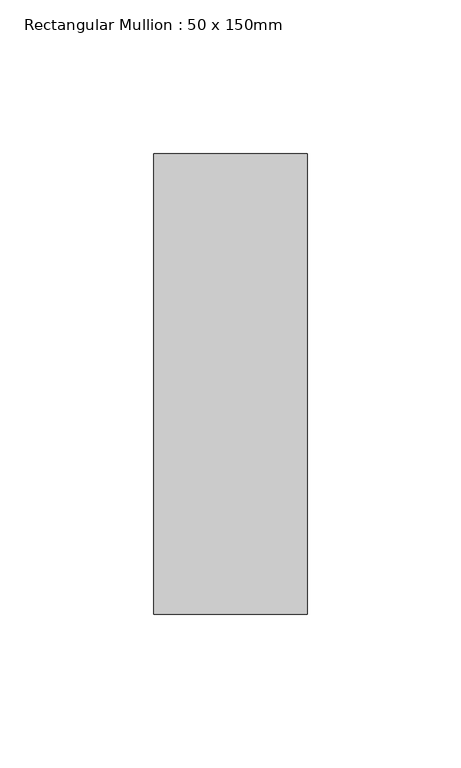
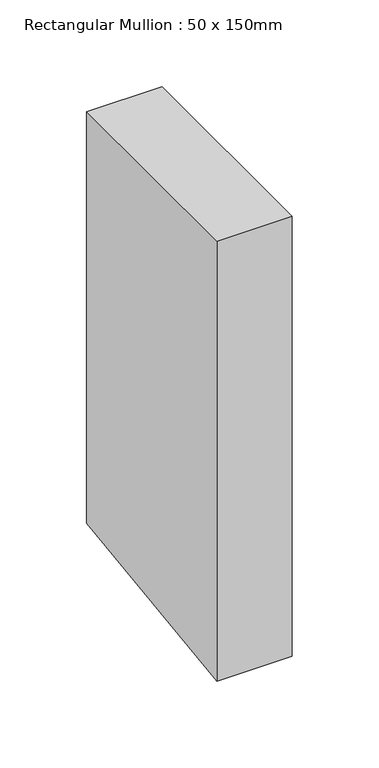
"""IFC4 building model written with IfcOpenShell, lengths in millimetres: member geometry, Rectangular Mullion : 50 x 150mm."""

from ifc_helpers import new_model, si_unit, frame, origin, place, context, project, spatial, polyline, outline, extrude, source, transform, mapped, element, save


def rectangular_mullion_50_x_150mm_d7a8291c(model_context):
    return source(origin(), model_context, "Body", "SweptSolid", [
        extrude(outline(polyline([(-75.0, 0.0), (75.0, 0.0), (75.0, -289.1428371), (-75.0, -309.1655646), (-75.0, 0.0)])), frame((-50.0, 0.0, 0.0), z_axis=(1.0, 0.0, 0.0), x_axis=(0.0, 1.0, 0.0)), (0.0, 0.0, 1.0), 50.0),
    ])


if __name__ == "__main__":
    model = new_model("IFC4")
    model_context = context("Model", 3, world=origin())
    ifc_project = project(units=[si_unit("LENGTHUNIT", "METRE", prefix="MILLI")], contexts=[model_context])
    site = spatial("IfcSite", under=ifc_project)
    building = spatial("IfcBuilding", under=site)
    placement = place(None, origin())
    rectangular_mullion_50_x_150mm_shape = rectangular_mullion_50_x_150mm_d7a8291c(model_context)
    element("IfcMember", 1, ObjectType="Rectangular Mullion : 50 x 150mm", at=placement, inside=building, context=model_context, shape_type="MappedRepresentation", body=[
        mapped(rectangular_mullion_50_x_150mm_shape, transform((0.0, 0.0, 0.0), x_axis=(1.0, 0.0, 0.0), y_axis=(0.0, 1.0, 0.0), z_axis=(0.0, 0.0, 1.0))),
    ])
    save(model, "model.ifc")
